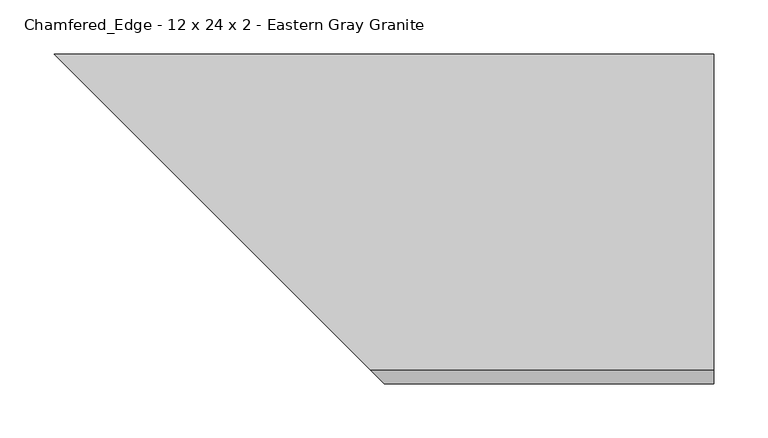
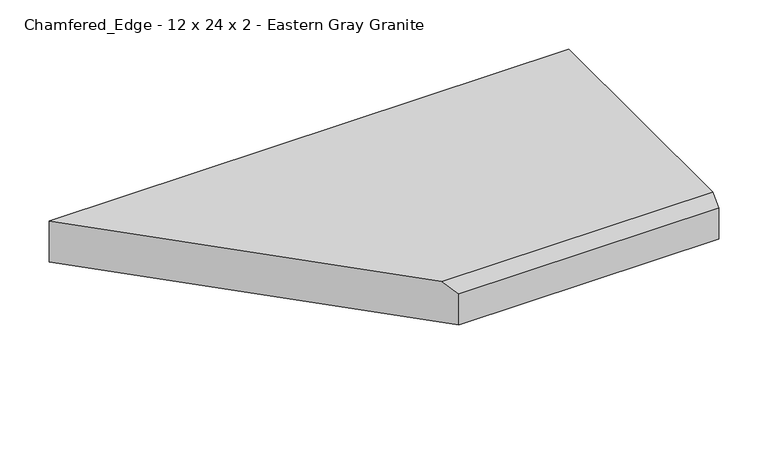
"""IFC4 building model written with IfcOpenShell, lengths in millimetres: proxy geometry, Chamfered_Edge - 12 x 24 x 2 - Eastern Gray Granite."""

from ifc_helpers import new_model, si_unit, origin, place, context, project, spatial, faceted_brep, source, transform, mapped, element, save


def chamfered_edge_12_x_24_x_2_eastern_gray_granite_795303fe(model_context):
    return source(origin(), model_context, "Body", "Brep", [
        faceted_brep([(609.6, -304.8, 0.0), (609.6, 0.0, 0.0), (609.6, 0.0, 50.8), (609.6, -292.1, 50.8), (609.6, -304.8, 38.1), (0.0, 0.0, 50.8), (292.1, -292.1, 50.8), (0.0, 0.0, 0.0), (304.8, -304.8, 0.0), (304.8, -304.8, 38.1)], [[[0, 1, 2, 3, 4]], [[3, 2, 5, 6]], [[2, 1, 7, 5]], [[1, 0, 8, 7]], [[0, 4, 9, 8]], [[4, 3, 6, 9]], [[6, 5, 7, 8, 9]]]),
    ])


if __name__ == "__main__":
    model = new_model("IFC4")
    model_context = context("Model", 3, world=origin())
    ifc_project = project(units=[si_unit("LENGTHUNIT", "METRE", prefix="MILLI")], contexts=[model_context])
    site = spatial("IfcSite", under=ifc_project)
    building = spatial("IfcBuilding", under=site)
    placement = place(None, origin())
    chamfered_edge_12_x_24_x_2_eastern_gray_granite_shape = chamfered_edge_12_x_24_x_2_eastern_gray_granite_795303fe(model_context)
    element("IfcBuildingElementProxy", 1, Name="Chamfered_Edge - 12 x 24 x 2 - Eastern Gray Granite", ObjectType="Chamfered_Edge - 12 x 24 x 2 - Eastern Gray Granite", at=placement, inside=building, context=model_context, shape_type="MappedRepresentation", body=[
        mapped(chamfered_edge_12_x_24_x_2_eastern_gray_granite_shape, transform((0.0, 0.0, 0.0), x_axis=(1.0, 0.0, 0.0), y_axis=(0.0, 1.0, 0.0), z_axis=(0.0, 0.0, 1.0))),
    ])
    save(model, "model.ifc")
